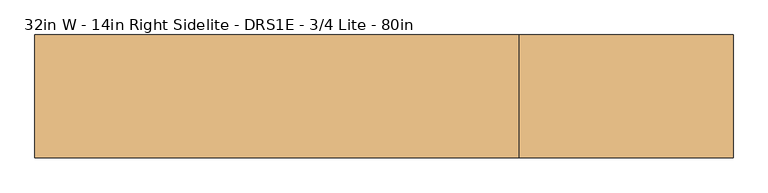
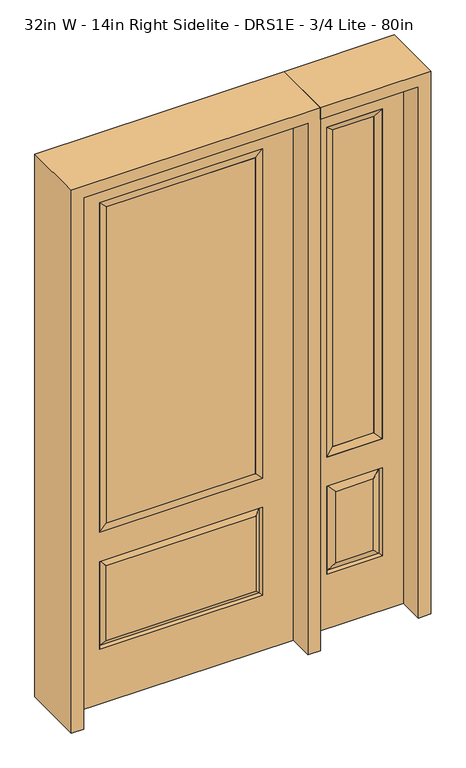
"""IFC4 building model written with IfcOpenShell, lengths in millimetres: door geometry, 32in W - 14in Right Sidelite - DRS1E - 3/4 Lite - 80in."""

from ifc_helpers import new_model, si_unit, frame, origin, place, context, project, spatial, polyline, outline, extrude, faceted_brep, source, transform, mapped, element, save


def door_32in_w_14in_right_sidelite_drs1e_3_4_lite_80in_b11d0d1d(model_context):
    return source(origin(), model_context, "Body", "SolidModel", [
        faceted_brep([(450.85, -22.225, 0.0), (806.45, -22.225, 0.0), (806.45, -22.225, 2032.0), (450.85, -22.225, 2032.0), (728.98, -22.225, 1919.224), (728.98, -22.225, 657.098), (528.32, -22.225, 657.098), (528.32, -22.225, 1919.224), (728.98, -22.225, 209.55), (528.32, -22.225, 209.55), (528.32, -22.225, 546.1), (728.98, -22.225, 546.1), (560.0351001, -22.225, 241.2651001), (697.2648999, -22.225, 241.2651001), (697.2648999, -22.225, 514.3848999), (560.0351001, -22.225, 514.3848999), (450.85, 22.225, 0.0), (450.85, 22.225, 2032.0), (806.45, 22.225, 2032.0), (806.45, 22.225, 0.0), (728.98, 22.225, 1919.224), (528.32, 22.225, 1919.224), (528.32, 22.225, 657.098), (728.98, 22.225, 657.098), (528.32, 22.225, 209.55), (728.98, 22.225, 209.55), (728.98, 22.225, 546.1), (528.32, 22.225, 546.1), (697.2648999, 22.225, 241.2651001), (560.0351001, 22.225, 241.2651001), (560.0351001, 22.225, 514.3848999), (697.2648999, 22.225, 514.3848999), (721.8711499, 12.7912373, 216.6588501), (535.4288501, 12.7912373, 216.6588501), (535.4288501, 12.7912373, 538.9911499), (721.8711499, 12.7912373, 538.9911499), (535.4288501, -12.7912373, 216.6588501), (721.8711499, -12.7912373, 216.6588501), (535.4288501, -12.7912373, 538.9911499), (721.8711499, -12.7912373, 538.9911499)], [[[0, 1, 2, 3], [4, 5, 6, 7], [8, 9, 10, 11]], [[12, 13, 14, 15]], [[16, 17, 18, 19], [20, 21, 22, 23], [24, 25, 26, 27]], [[28, 29, 30, 31]], [[1, 0, 16, 19]], [[2, 1, 19, 18]], [[3, 2, 18, 17]], [[0, 3, 17, 16]], [[5, 4, 20, 23]], [[6, 5, 23, 22]], [[7, 6, 22, 21]], [[4, 7, 21, 20]], [[32, 33, 29, 28]], [[33, 32, 25, 24]], [[29, 33, 34, 30]], [[33, 24, 27, 34]], [[30, 34, 35, 31]], [[34, 27, 26, 35]], [[32, 28, 31, 35]], [[25, 32, 35, 26]], [[12, 36, 37, 13]], [[37, 36, 9, 8]], [[36, 12, 15, 38]], [[9, 36, 38, 10]], [[38, 15, 14, 39]], [[10, 38, 39, 11]], [[13, 37, 39, 14]], [[37, 8, 11, 39]]]),
        faceted_brep([(528.32, 22.225, 1919.224), (528.32, -22.225, 1919.224), (728.98, -22.225, 1919.224), (728.98, 22.225, 1919.224), (553.72, 12.7, 1893.824), (703.58, 12.7, 1893.824), (553.72, -12.7, 1893.824), (703.58, -12.7, 1893.824), (728.98, -22.225, 657.098), (728.98, 22.225, 657.098), (703.58, 12.7, 682.498), (703.58, -12.7, 682.498), (528.32, -22.225, 657.098), (528.32, 22.225, 657.098), (553.72, 12.7, 682.498), (553.72, -12.7, 682.498)], [[[0, 1, 2, 3]], [[4, 0, 3, 5]], [[6, 4, 5, 7]], [[1, 6, 7, 2]], [[3, 2, 8, 9]], [[5, 3, 9, 10]], [[7, 5, 10, 11]], [[2, 7, 11, 8]], [[9, 8, 12, 13]], [[10, 9, 13, 14]], [[11, 10, 14, 15]], [[8, 11, 15, 12]], [[13, 12, 1, 0]], [[14, 13, 0, 4]], [[15, 14, 4, 6]], [[12, 15, 6, 1]]]),
        extrude(outline(polyline([(703.58, -12.7), (553.72, -12.7), (553.72, 12.7), (703.58, 12.7), (703.58, -12.7)])), frame((0.0, 0.0, 682.498), z_axis=(0.0, 0.0, 1.0), x_axis=(1.0, 0.0, 0.0)), (0.0, 0.0, 1.0), 1211.326),
        faceted_brep([(-288.1661499, -12.7912373, 216.6588501), (288.1661499, -12.7912373, 216.6588501), (270.66875, -22.225, 234.15625), (-270.66875, -22.225, 234.15625), (-295.275, -22.225, 209.55), (295.275, -22.225, 209.55), (-288.1661499, -12.7912373, 538.9911499), (-295.275, -22.225, 546.1), (270.66875, -22.225, 521.49375), (-270.66875, -22.225, 521.49375), (406.4, -22.225, 2032.0), (-406.4, -22.225, 2032.0), (-406.4, -22.225, 0.0), (406.4, -22.225, 0.0), (295.275, -22.225, 546.1), (295.275, -22.225, 1917.7), (295.275, -22.225, 657.098), (-295.275, -22.225, 657.098), (-295.275, -22.225, 1917.7), (288.1661499, -12.7912373, 538.9911499), (-406.4, 22.225, 2032.0), (-406.4, 22.225, 0.0), (406.4, 22.225, 0.0), (406.4, 22.225, 2032.0), (295.275, 22.225, 1917.7), (295.275, 22.225, 657.098), (-295.275, 22.225, 657.098), (-295.275, 22.225, 1917.7), (-295.275, 22.225, 209.55), (295.275, 22.225, 209.55), (295.275, 22.225, 546.1), (-295.275, 22.225, 546.1), (270.66875, 22.225, 234.15625), (-270.66875, 22.225, 234.15625), (-270.66875, 22.225, 521.49375), (270.66875, 22.225, 521.49375), (-288.1661499, 12.7912373, 216.6588501), (288.1661499, 12.7912373, 216.6588501), (288.1661499, 12.7912373, 538.9911499), (-288.1661499, 12.7912373, 538.9911499)], [[[0, 1, 2, 3]], [[1, 0, 4, 5]], [[4, 0, 6, 7]], [[3, 2, 8, 9]], [[10, 11, 12, 13], [5, 4, 7, 14], [15, 16, 17, 18]], [[1, 5, 14, 19]], [[2, 1, 19, 8]], [[0, 3, 9, 6]], [[7, 6, 19, 14]], [[6, 9, 8, 19]], [[12, 11, 20, 21]], [[13, 12, 21, 22]], [[10, 13, 22, 23]], [[16, 15, 24, 25]], [[17, 16, 25, 26]], [[18, 17, 26, 27]], [[23, 22, 21, 20], [28, 29, 30, 31], [24, 27, 26, 25]], [[32, 33, 34, 35]], [[28, 36, 37, 29]], [[29, 37, 38, 30]], [[39, 31, 30, 38]], [[36, 28, 31, 39]], [[37, 36, 33, 32]], [[33, 36, 39, 34]], [[34, 39, 38, 35]], [[37, 32, 35, 38]], [[11, 10, 23, 20]], [[15, 18, 27, 24]]]),
        faceted_brep([(-295.275, -22.225, 1917.7), (-295.275, 22.225, 1917.7), (-295.275, 22.225, 657.098), (-295.275, -22.225, 657.098), (295.275, 22.225, 657.098), (295.275, -22.225, 657.098), (-269.875, 5.08, 682.498), (269.875, 5.08, 682.498), (295.275, 22.225, 1917.7), (295.275, -22.225, 1917.7), (-269.875, -20.32, 682.498), (269.875, -20.32, 682.498), (-269.875, -20.32, 1892.3), (269.875, -20.32, 1892.3), (-269.875, 5.08, 1892.3), (269.875, 5.08, 1892.3)], [[[0, 1, 2, 3]], [[3, 2, 4, 5]], [[2, 6, 7, 4]], [[5, 4, 8, 9]], [[10, 3, 5, 11]], [[12, 0, 3, 10]], [[11, 5, 9, 13]], [[6, 10, 11, 7]], [[14, 12, 10, 6]], [[7, 11, 13, 15]], [[1, 14, 6, 2]], [[4, 7, 15, 8]], [[9, 8, 1, 0]], [[13, 9, 0, 12]], [[15, 13, 12, 14]], [[8, 15, 14, 1]]]),
        extrude(outline(polyline([(269.875, -20.32), (-269.875, -20.32), (-269.875, 5.08), (269.875, 5.08), (269.875, -20.32)])), frame((0.0, 0.0, 682.498), z_axis=(0.0, 0.0, 1.0), x_axis=(1.0, 0.0, 0.0)), (0.0, 0.0, 1.0), 1209.802),
        extrude(outline(polyline([(2076.45, -450.85), (0.0, -450.85), (0.0, -406.4), (2032.0, -406.4), (2032.0, 406.4), (0.0, 406.4), (0.0, 450.85), (2076.45, 450.85), (2076.45, -450.85)])), frame((0.0, -114.3, 0.0), z_axis=(0.0, 1.0, 0.0), x_axis=(0.0, 0.0, 1.0)), (0.0, 0.0, 1.0), 228.6),
        extrude(outline(polyline([(0.0, 806.45), (0.0, 850.9), (2076.45, 850.9), (2076.45, 450.85), (2032.0, 450.85), (2032.0, 806.45), (0.0, 806.45)])), frame((0.0, -114.3, 0.0), z_axis=(0.0, 1.0, 0.0), x_axis=(0.0, 0.0, 1.0)), (0.0, 0.0, 1.0), 228.6),
    ])


if __name__ == "__main__":
    model = new_model("IFC4")
    model_context = context("Model", 3, world=origin())
    ifc_project = project(units=[si_unit("LENGTHUNIT", "METRE", prefix="MILLI")], contexts=[model_context])
    site = spatial("IfcSite", under=ifc_project)
    building = spatial("IfcBuilding", under=site)
    placement = place(None, origin())
    door_32in_w_14in_right_sidelite_drs1e_3_4_lite_80in_shape = door_32in_w_14in_right_sidelite_drs1e_3_4_lite_80in_b11d0d1d(model_context)
    element("IfcDoor", 1, ObjectType="32in W - 14in Right Sidelite - DRS1E - 3/4 Lite - 80in", at=placement, inside=building, context=model_context, shape_type="MappedRepresentation", body=[
        mapped(door_32in_w_14in_right_sidelite_drs1e_3_4_lite_80in_shape, transform((0.0, 0.0, 0.0), x_axis=(1.0, 0.0, 0.0), y_axis=(0.0, 1.0, 0.0), z_axis=(0.0, 0.0, 1.0))),
    ])
    save(model, "model.ifc")
